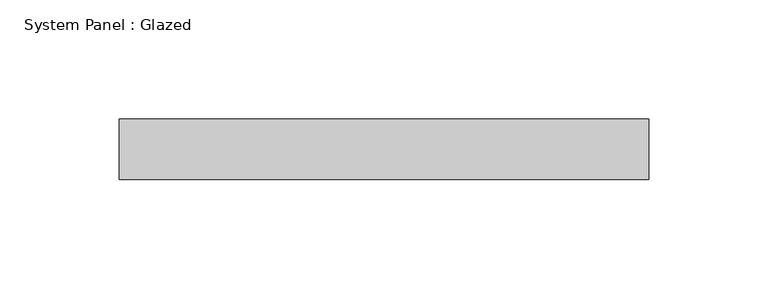
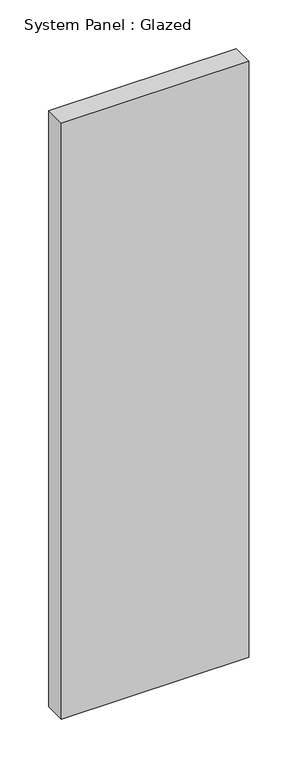
"""IFC4 building model written with IfcOpenShell, lengths in millimetres: plate geometry, System Panel : Glazed."""

from ifc_helpers import new_model, si_unit, origin, origin_with_axes, place, context, project, spatial, polyline, outline, extrude, source, transform, mapped, element, save


def system_panel_glazed_19cc1655(model_context):
    return source(origin(), model_context, "Body", "SweptSolid", [
        extrude(outline(polyline([(111.125, -12.7), (-111.125, -12.7), (-111.125, 12.7), (111.125, 12.7), (111.125, -12.7)])), origin_with_axes(), (0.0, 0.0, 1.0), 746.125),
    ])


if __name__ == "__main__":
    model = new_model("IFC4")
    model_context = context("Model", 3, world=origin())
    ifc_project = project(units=[si_unit("LENGTHUNIT", "METRE", prefix="MILLI")], contexts=[model_context])
    site = spatial("IfcSite", under=ifc_project)
    building = spatial("IfcBuilding", under=site)
    placement = place(None, origin())
    system_panel_glazed_shape = system_panel_glazed_19cc1655(model_context)
    element("IfcPlate", 1, ObjectType="System Panel : Glazed", at=placement, inside=building, context=model_context, shape_type="MappedRepresentation", body=[
        mapped(system_panel_glazed_shape, transform((0.0, 0.0, 0.0), x_axis=(1.0, 0.0, 0.0), y_axis=(0.0, 1.0, 0.0), z_axis=(0.0, 0.0, 1.0))),
    ])
    save(model, "model.ifc")
